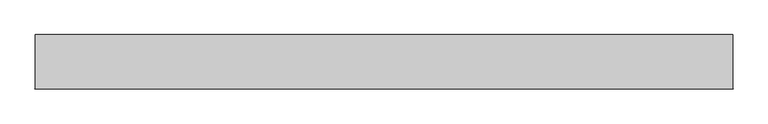
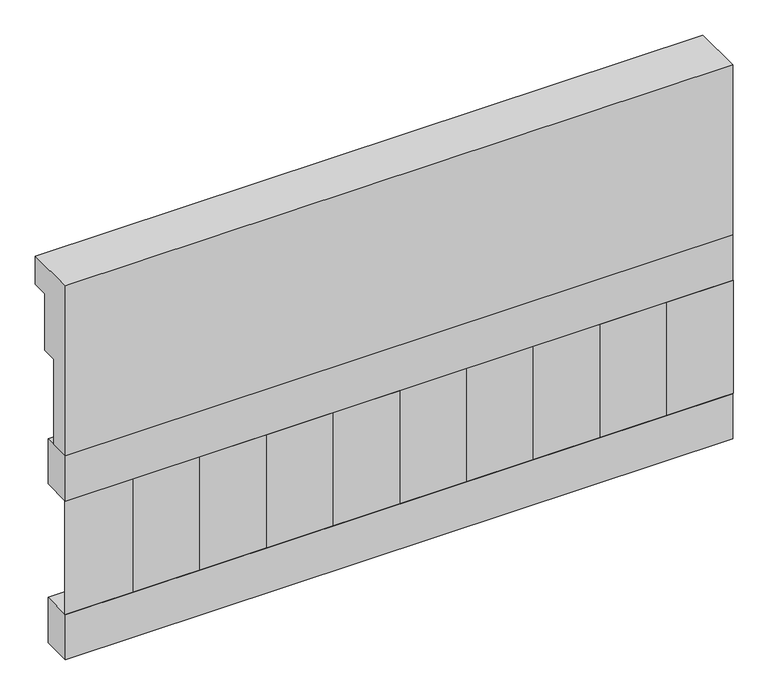
"""IFC4 building model written with IfcOpenShell, lengths in millimetres: railing geometry."""

import ifcopenshell
import ifcopenshell.guid

model = None  # the IFC model being written
_history = None  # IfcOwnerHistory: only IFC2X3 demands one
_inside = {}  # id of a spatial element -> (the spatial element, [elements in it])
_under = {}  # id of a project, library or spatial element -> (it, [spatial elements below it])
_declared = {}  # id of a project -> (the project, [libraries it declares])
_typed = {}  # id of a type object -> (the type object, [elements of that type])
_made_of = {}  # id of a material, layer set ... -> (it, [elements and type objects made of it])


def new_model(schema):
    """Start an empty IFC model of exactly this schema.

    Asked for "IFC4X3", IfcOpenShell would pick the latest addendum, in which some entities
    have other attributes; the version numbers below select the first issue.
    IFC2X3 requires an IfcOwnerHistory on every rooted entity: one is made here for all.
    """
    global model, _history
    if schema == "IFC4X3":
        model = ifcopenshell.file(schema_version=(4, 3, 0, 0))
    else:
        model = ifcopenshell.file(schema=schema)
    _inside.clear()
    _under.clear()
    _declared.clear()
    _typed.clear()
    _made_of.clear()
    _history = None
    if model.schema == "IFC2X3":
        org = make("IfcOrganization", Name="unknown")
        user = make(
            "IfcPersonAndOrganization",
            ThePerson=make("IfcPerson", FamilyName="unknown"),
            TheOrganization=org,
        )
        app = make(
            "IfcApplication",
            ApplicationDeveloper=org,
            Version="unknown",
            ApplicationFullName="unknown",
            ApplicationIdentifier="unknown",
        )
        _history = make(
            "IfcOwnerHistory",
            OwningUser=user,
            OwningApplication=app,
            ChangeAction="ADDED",
            CreationDate=0,
        )
    return model


def make(cls, **values):
    """One entity of the class cls with the attributes given. An attribute that is None is left unset."""
    return model.create_entity(
        cls, **{name: value for name, value in values.items() if value is not None}
    )


def rooted(cls, **values):
    """An entity with a GlobalId (a new one), such as an element, a storey or a relation."""
    return make(cls, GlobalId=ifcopenshell.guid.new(), OwnerHistory=_history, **values)


def si_unit(unit_type, name, prefix=None):
    """IfcSIUnit, for example si_unit("LENGTHUNIT", "METRE", prefix="MILLI")."""
    return make("IfcSIUnit", UnitType=unit_type, Prefix=prefix, Name=name)


def assignment(units):
    """IfcUnitAssignment: the units of a project."""
    return None if units is None else make("IfcUnitAssignment", Units=units)


def point(xyz):
    """IfcCartesianPoint."""
    return None if xyz is None else make("IfcCartesianPoint", Coordinates=xyz)


def direction(xyz):
    """IfcDirection."""
    return None if xyz is None else make("IfcDirection", DirectionRatios=xyz)


def frame(location, z_axis=None, x_axis=None):
    """IfcAxis2Placement3D, a coordinate frame: its origin and axes. An axis left out is left unset."""
    return make(
        "IfcAxis2Placement3D",
        Location=point(location),
        Axis=direction(z_axis),
        RefDirection=direction(x_axis),
    )


def origin():
    """The frame at (0, 0, 0) with its axes left unset."""
    return frame((0.0, 0.0, 0.0))


def place(relative_to, where):
    """IfcLocalPlacement: puts the frame where relative to a parent placement (None: the world)."""
    return make(
        "IfcLocalPlacement", PlacementRelTo=relative_to, RelativePlacement=where
    )


def context(
    kind, dimensions, precision=None, world=None, true_north=None, identifier=None
):
    """IfcGeometricRepresentationContext, for example the 3D "Model" context."""
    return make(
        "IfcGeometricRepresentationContext",
        ContextIdentifier=identifier,
        ContextType=kind,
        CoordinateSpaceDimension=dimensions,
        Precision=precision,
        WorldCoordinateSystem=world,
        TrueNorth=true_north,
    )


def project(units=None, contexts=None):
    """IfcProject with its units and contexts."""
    return rooted(
        "IfcProject",
        Name="project",
        RepresentationContexts=contexts,
        UnitsInContext=assignment(units),
    )


def spatial(cls, under=None, at=None, **own):
    """A site, building, storey or space (cls), placed at a placement, below another one or the project."""
    s = rooted(cls, ObjectPlacement=at, **own)
    if under is not None:
        _under.setdefault(under.id(), (under, []))[1].append(s)
    return s


def polyline(points):
    """IfcPolyline through the points."""
    return make("IfcPolyline", Points=[point(p) for p in points])


def outline(outer, holes=None, kind="AREA"):
    """IfcArbitraryClosedProfileDef: a profile drawn as a closed curve; with holes, ...WithVoids."""
    if holes is None:
        return make("IfcArbitraryClosedProfileDef", ProfileType=kind, OuterCurve=outer)
    return make(
        "IfcArbitraryProfileDefWithVoids",
        ProfileType=kind,
        OuterCurve=outer,
        InnerCurves=holes,
    )


def extrude(swept, where, along, depth):
    """IfcExtrudedAreaSolid: the profile swept, set in the frame where, extruded along a direction by depth."""
    return make(
        "IfcExtrudedAreaSolid",
        SweptArea=swept,
        Position=where,
        ExtrudedDirection=direction(along),
        Depth=depth,
    )


def shape(context_of_items, identifier, shape_type, items):
    """IfcShapeRepresentation: the items that make up one representation, for example the "Body"."""
    return make(
        "IfcShapeRepresentation",
        ContextOfItems=context_of_items,
        RepresentationIdentifier=identifier,
        RepresentationType=shape_type,
        Items=items,
    )


def source(mapping_origin, context_of_items, identifier, shape_type, items):
    """IfcRepresentationMap: a shape defined once, which mapped items show again and again."""
    return make(
        "IfcRepresentationMap",
        MappingOrigin=mapping_origin,
        MappedRepresentation=shape(context_of_items, identifier, shape_type, items),
    )


def transform(
    local_origin,
    x_axis=None,
    y_axis=None,
    z_axis=None,
    scale=None,
    scale2=None,
    scale3=None,
    uniform=True,
):
    """IfcCartesianTransformationOperator3D, or its non-uniform kind. x_axis, y_axis, z_axis: its Axis1, 2, 3."""
    if uniform:
        return make(
            "IfcCartesianTransformationOperator3D",
            Axis1=direction(x_axis),
            Axis2=direction(y_axis),
            LocalOrigin=point(local_origin),
            Scale=scale,
            Axis3=direction(z_axis),
        )
    return make(
        "IfcCartesianTransformationOperator3DnonUniform",
        Axis1=direction(x_axis),
        Axis2=direction(y_axis),
        LocalOrigin=point(local_origin),
        Scale=scale,
        Axis3=direction(z_axis),
        Scale2=scale2,
        Scale3=scale3,
    )


def mapped(mapping_source, mapping_target):
    """IfcMappedItem: shows the shape of a source again, moved by a transform."""
    return make(
        "IfcMappedItem", MappingSource=mapping_source, MappingTarget=mapping_target
    )


def made_of(thing, what):
    """Note that an element or type object is made of a material, layer set ...; save() writes the relation."""
    if what is not None:
        _made_of.setdefault(what.id(), (what, []))[1].append(thing)
    return thing


def element(
    cls,
    number,
    at=None,
    inside=None,
    cuts=None,
    type_object=None,
    material=None,
    context=None,
    identifier="Body",
    shape_type=None,
    held_by="IfcProductDefinitionShape",
    body=None,
    shapes=None,
    **own,
):
    """One element of the class cls, such as IfcWall. Its Tag is "e" and its number.

    at: its placement. inside: the storey or other place that contains it. cuts: it is an
    opening in that element (IfcRelVoidsElement). A single representation is given by context,
    identifier, shape_type and body (its items); several are given by shapes. held_by: the class
    of the entity that holds the representations. save() writes the other relations.
    """
    e = rooted(cls, Tag="e%d" % number, ObjectPlacement=at, **own)
    if body is not None:
        shapes = [shape(context, identifier, shape_type, body)]
    if shapes is not None:
        e.Representation = make(held_by, Representations=shapes)
    if inside is not None:
        _inside.setdefault(inside.id(), (inside, []))[1].append(e)
    if cuts is not None:
        rooted(
            "IfcRelVoidsElement", RelatingBuildingElement=cuts, RelatedOpeningElement=e
        )
    if type_object is not None:
        _typed.setdefault(type_object.id(), (type_object, []))[1].append(e)
    return made_of(e, material)


def aggregate(whole, parts):
    """IfcRelAggregates: a whole, such as a stair, and the parts it consists of."""
    return rooted("IfcRelAggregates", RelatingObject=whole, RelatedObjects=parts)


def save(model, path):
    """Write the relations noted so far, then the file.

    IfcRelAggregates (storeys below a building ...), IfcRelContainedInSpatialStructure (elements
    in a storey), IfcRelDefinesByType, IfcRelAssociatesMaterial and IfcRelDeclares: one each for
    every whole, place, type object, material and project.
    """
    for whole, parts in _under.values():
        aggregate(whole, parts)
    for where, things in _inside.values():
        rooted(
            "IfcRelContainedInSpatialStructure",
            RelatedElements=things,
            RelatingStructure=where,
        )
    for kind, things in _typed.values():
        rooted("IfcRelDefinesByType", RelatedObjects=things, RelatingType=kind)
    for what, things in _made_of.values():
        rooted("IfcRelAssociatesMaterial", RelatedObjects=things, RelatingMaterial=what)
    for by, libraries in _declared.values():
        rooted("IfcRelDeclares", RelatingContext=by, RelatedDefinitions=libraries)
    model.write(path)


def railing_0a69d9f3(model_context):
    return source(origin(), model_context, "Body", "SweptSolid", [
        extrude(outline(polyline([(903.1079487, 25100.0), (1033.1079487, 25100.0), (1033.1079487, 25025.0), (993.1079487, 25025.0), (993.1079487, 24875.0), (953.1079487, 24875.0), (953.1079487, 24650.0), (903.1079487, 24650.0), (903.1079487, 25100.0)])), frame((-26239.9887159, 0.0, 0.0), z_axis=(1.0, 0.0, 0.0), x_axis=(0.0, 1.0, 0.0)), (0.0, 0.0, 1.0), 1670.0),
        extrude(outline(polyline([(-24569.9887159, 978.1079487), (-24569.9887159, 903.1079487), (-26239.9887159, 903.1079487), (-26239.9887159, 978.1079487), (-24569.9887159, 978.1079487)])), frame((0.0, 0.0, 24530.0), z_axis=(0.0, 0.0, 1.0), x_axis=(1.0, 0.0, 0.0)), (0.0, 0.0, 1.0), 120.0),
        extrude(outline(polyline([(-24569.9887159, 978.1079487), (-24569.9887159, 903.1079487), (-26239.9887159, 903.1079487), (-26239.9887159, 978.1079487), (-24569.9887159, 978.1079487)])), frame((0.0, 0.0, 24110.0), z_axis=(0.0, 0.0, 1.0), x_axis=(1.0, 0.0, 0.0)), (0.0, 0.0, 1.0), 120.0),
        extrude(outline(polyline([(-26156.4887159, 987.9607624), (-26071.6359022, 903.1079487), (-26241.3415296, 903.1079487), (-26156.4887159, 987.9607624)])), frame((0.0, 0.0, 24230.0), z_axis=(0.0, 0.0, 1.0), x_axis=(1.0, 0.0, 0.0)), (0.0, 0.0, 1.0), 300.0),
        extrude(outline(polyline([(-25989.4887159, 987.9607624), (-25904.6359022, 903.1079487), (-26074.3415296, 903.1079487), (-25989.4887159, 987.9607624)])), frame((0.0, 0.0, 24230.0), z_axis=(0.0, 0.0, 1.0), x_axis=(1.0, 0.0, 0.0)), (0.0, 0.0, 1.0), 300.0),
        extrude(outline(polyline([(-25822.4887159, 987.9607624), (-25737.6359022, 903.1079487), (-25907.3415296, 903.1079487), (-25822.4887159, 987.9607624)])), frame((0.0, 0.0, 24230.0), z_axis=(0.0, 0.0, 1.0), x_axis=(1.0, 0.0, 0.0)), (0.0, 0.0, 1.0), 300.0),
        extrude(outline(polyline([(-25655.4887159, 987.9607624), (-25570.6359022, 903.1079487), (-25740.3415296, 903.1079487), (-25655.4887159, 987.9607624)])), frame((0.0, 0.0, 24230.0), z_axis=(0.0, 0.0, 1.0), x_axis=(1.0, 0.0, 0.0)), (0.0, 0.0, 1.0), 300.0),
        extrude(outline(polyline([(-25488.4887159, 987.9607624), (-25403.6359022, 903.1079487), (-25573.3415296, 903.1079487), (-25488.4887159, 987.9607624)])), frame((0.0, 0.0, 24230.0), z_axis=(0.0, 0.0, 1.0), x_axis=(1.0, 0.0, 0.0)), (0.0, 0.0, 1.0), 300.0),
        extrude(outline(polyline([(-25321.4887159, 987.9607624), (-25236.6359022, 903.1079487), (-25406.3415296, 903.1079487), (-25321.4887159, 987.9607624)])), frame((0.0, 0.0, 24230.0), z_axis=(0.0, 0.0, 1.0), x_axis=(1.0, 0.0, 0.0)), (0.0, 0.0, 1.0), 300.0),
        extrude(outline(polyline([(-25154.4887159, 987.9607624), (-25069.6359022, 903.1079487), (-25239.3415296, 903.1079487), (-25154.4887159, 987.9607624)])), frame((0.0, 0.0, 24230.0), z_axis=(0.0, 0.0, 1.0), x_axis=(1.0, 0.0, 0.0)), (0.0, 0.0, 1.0), 300.0),
        extrude(outline(polyline([(-24987.4887159, 987.9607624), (-24902.6359022, 903.1079487), (-25072.3415296, 903.1079487), (-24987.4887159, 987.9607624)])), frame((0.0, 0.0, 24230.0), z_axis=(0.0, 0.0, 1.0), x_axis=(1.0, 0.0, 0.0)), (0.0, 0.0, 1.0), 300.0),
        extrude(outline(polyline([(-24820.4887159, 987.9607624), (-24735.6359022, 903.1079487), (-24905.3415296, 903.1079487), (-24820.4887159, 987.9607624)])), frame((0.0, 0.0, 24230.0), z_axis=(0.0, 0.0, 1.0), x_axis=(1.0, 0.0, 0.0)), (0.0, 0.0, 1.0), 300.0),
        extrude(outline(polyline([(-24653.4887159, 987.9607624), (-24568.6359022, 903.1079487), (-24738.3415296, 903.1079487), (-24653.4887159, 987.9607624)])), frame((0.0, 0.0, 24230.0), z_axis=(0.0, 0.0, 1.0), x_axis=(1.0, 0.0, 0.0)), (0.0, 0.0, 1.0), 300.0),
    ])


if __name__ == "__main__":
    model = new_model("IFC4")
    model_context = context("Model", 3, world=origin())
    ifc_project = project(units=[si_unit("LENGTHUNIT", "METRE", prefix="MILLI")], contexts=[model_context])
    site = spatial("IfcSite", under=ifc_project)
    building = spatial("IfcBuilding", under=site)
    placement = place(None, origin())
    railing_shape = railing_0a69d9f3(model_context)
    element("IfcRailing", 1, at=placement, inside=building, context=model_context, shape_type="MappedRepresentation", body=[
        mapped(railing_shape, transform((0.0, 0.0, 0.0), x_axis=(1.0, 0.0, 0.0), y_axis=(0.0, 1.0, 0.0), z_axis=(0.0, 0.0, 1.0))),
    ])
    save(model, "model.ifc")
